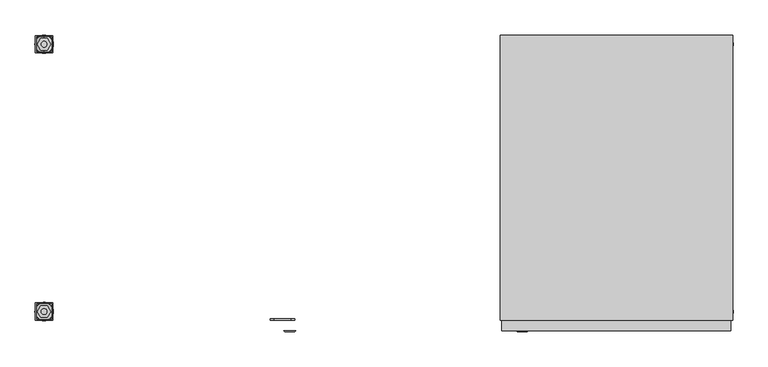
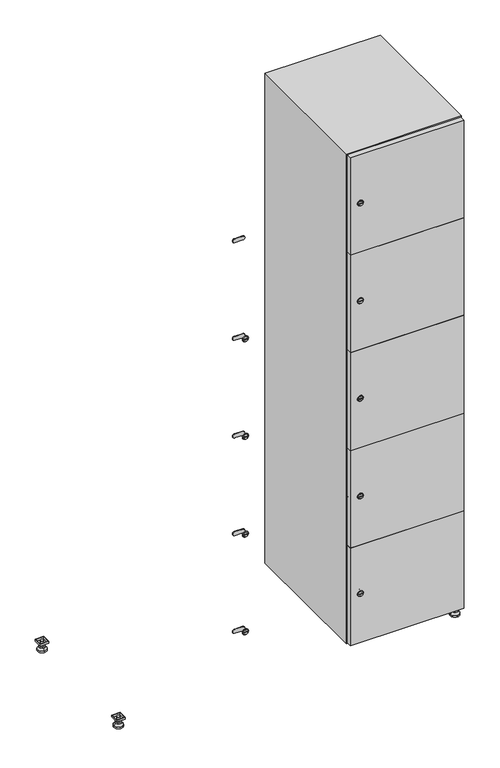
"""IFC4 building model written with IfcOpenShell, lengths in millimetres: furniture geometry."""

from ifc_helpers import new_model, si_unit, point, frame, frame_2d, origin, origin_with_axes, place, context, project, spatial, polyline, circle_curve, trimmed, segment, composite_curve, outline, extrude, faceted_brep, source, transform, mapped, element, save
from ifc_brep_helpers import plane_surface, revolved_surface, advanced_brep


def furniture_5095807b(model_context):
    return source(origin(), model_context, "Body", "SolidModel", [
        extrude(outline(polyline([(1000.0, 245.0), (1000.0, 215.0), (970.0, 215.0), (970.0, 245.0), (1000.0, 245.0)]), holes=[polyline([(998.0, 243.0), (972.0, 243.0), (972.0, 217.0), (998.0, 217.0), (998.0, 243.0)])]), frame((0.0, 0.0, 28.5), z_axis=(0.0, 0.0, 1.0), x_axis=(1.0, 0.0, 0.0)), (0.0, 0.0, 1.0), 6.5),
        extrude(outline(polyline([(970.0, -245.0), (970.0, -215.0), (1000.0, -215.0), (1000.0, -245.0), (970.0, -245.0)]), holes=[polyline([(972.0, -243.0), (998.0, -243.0), (998.0, -217.0), (972.0, -217.0), (972.0, -243.0)])]), frame((0.0, 0.0, 28.5), z_axis=(0.0, 0.0, 1.0), x_axis=(1.0, 0.0, 0.0)), (0.0, 0.0, 1.0), 6.5),
        extrude(outline(polyline([(-170.0, 245.0), (-170.0, 215.0), (-200.0, 215.0), (-200.0, 245.0), (-170.0, 245.0)]), holes=[polyline([(-172.0, 243.0), (-198.0, 243.0), (-198.0, 217.0), (-172.0, 217.0), (-172.0, 243.0)])]), frame((0.0, 0.0, 28.5), z_axis=(0.0, 0.0, 1.0), x_axis=(1.0, 0.0, 0.0)), (0.0, 0.0, 1.0), 6.5),
        extrude(outline(polyline([(-170.0, -215.0), (-170.0, -245.0), (-200.0, -245.0), (-200.0, -215.0), (-170.0, -215.0)]), holes=[polyline([(-198.0, -243.0), (-172.0, -243.0), (-172.0, -217.0), (-198.0, -217.0), (-198.0, -243.0)])]), frame((0.0, 0.0, 28.5), z_axis=(0.0, 0.0, 1.0), x_axis=(1.0, 0.0, 0.0)), (0.0, 0.0, 1.0), 6.5),
        extrude(outline(composite_curve([segment(trimmed(circle_curve(frame_2d((-185.0, 230.0)), 5.0), [point((-180.0, 230.0))], [point((-190.0, 230.0))], False, "CARTESIAN"), True, "CONTINUOUS"), segment(trimmed(circle_curve(frame_2d((-185.0, 230.0)), 5.0), [point((-190.0, 230.0))], [point((-180.0, 230.0))], False, "CARTESIAN"), True, "CONTINUOUS")], self_intersect=False)), frame((0.0, 0.0, 19.6), z_axis=(0.0, 0.0, 1.0), x_axis=(1.0, 0.0, 0.0)), (0.0, 0.0, 1.0), 15.4),
        extrude(outline(composite_curve([segment(trimmed(circle_curve(frame_2d((-185.0, -230.0)), 5.0), [point((-180.0, -230.0))], [point((-190.0, -230.0))], False, "CARTESIAN"), True, "CONTINUOUS"), segment(trimmed(circle_curve(frame_2d((-185.0, -230.0)), 5.0), [point((-190.0, -230.0))], [point((-180.0, -230.0))], False, "CARTESIAN"), True, "CONTINUOUS")], self_intersect=False)), frame((0.0, 0.0, 19.6), z_axis=(0.0, 0.0, 1.0), x_axis=(1.0, 0.0, 0.0)), (0.0, 0.0, 1.0), 15.4),
        extrude(outline(composite_curve([segment(trimmed(circle_curve(frame_2d((985.0, 230.0)), 5.0), [point((990.0, 230.0))], [point((980.0, 230.0))], False, "CARTESIAN"), True, "CONTINUOUS"), segment(trimmed(circle_curve(frame_2d((985.0, 230.0)), 5.0), [point((980.0, 230.0))], [point((990.0, 230.0))], False, "CARTESIAN"), True, "CONTINUOUS")], self_intersect=False)), frame((0.0, 0.0, 19.6), z_axis=(0.0, 0.0, 1.0), x_axis=(1.0, 0.0, 0.0)), (0.0, 0.0, 1.0), 15.4),
        extrude(outline(polyline([(973.4529946, 230.0), (979.2264973, 240.0), (990.7735027, 240.0), (996.5470054, 230.0), (990.7735027, 220.0), (979.2264973, 220.0), (973.4529946, 230.0)])), frame((0.0, 0.0, 13.6), z_axis=(0.0, 0.0, 1.0), x_axis=(1.0, 0.0, 0.0)), (0.0, 0.0, 1.0), 6.0),
        extrude(outline(composite_curve([segment(trimmed(circle_curve(frame_2d((985.0, -230.0)), 5.0), [point((990.0, -230.0))], [point((980.0, -230.0))], False, "CARTESIAN"), True, "CONTINUOUS"), segment(trimmed(circle_curve(frame_2d((985.0, -230.0)), 5.0), [point((980.0, -230.0))], [point((990.0, -230.0))], False, "CARTESIAN"), True, "CONTINUOUS")], self_intersect=False)), frame((0.0, 0.0, 19.6), z_axis=(0.0, 0.0, 1.0), x_axis=(1.0, 0.0, 0.0)), (0.0, 0.0, 1.0), 15.4),
        extrude(outline(polyline([(973.4529946, -230.0), (979.2264973, -220.0), (990.7735027, -220.0), (996.5470054, -230.0), (990.7735027, -240.0), (979.2264973, -240.0), (973.4529946, -230.0)])), frame((0.0, 0.0, 13.6), z_axis=(0.0, 0.0, 1.0), x_axis=(1.0, 0.0, 0.0)), (0.0, 0.0, 1.0), 6.0),
        extrude(outline(composite_curve([segment(trimmed(circle_curve(frame_2d((985.0, 230.0)), 5.0), [point((990.0, 230.0))], [point((980.0, 230.0))], False, "CARTESIAN"), True, "CONTINUOUS"), segment(trimmed(circle_curve(frame_2d((985.0, 230.0)), 5.0), [point((980.0, 230.0))], [point((990.0, 230.0))], False, "CARTESIAN"), True, "CONTINUOUS")], self_intersect=False)), frame((0.0, 0.0, 12.1), z_axis=(0.0, 0.0, 1.0), x_axis=(1.0, 0.0, 0.0)), (0.0, 0.0, 1.0), 1.5),
        extrude(outline(composite_curve([segment(trimmed(circle_curve(frame_2d((985.0, -230.0)), 5.0), [point((990.0, -230.0))], [point((980.0, -230.0))], False, "CARTESIAN"), True, "CONTINUOUS"), segment(trimmed(circle_curve(frame_2d((985.0, -230.0)), 5.0), [point((980.0, -230.0))], [point((990.0, -230.0))], False, "CARTESIAN"), True, "CONTINUOUS")], self_intersect=False)), frame((0.0, 0.0, 12.1), z_axis=(0.0, 0.0, 1.0), x_axis=(1.0, 0.0, 0.0)), (0.0, 0.0, 1.0), 1.5),
        extrude(outline(polyline([(-196.5470054, 230.0), (-190.7735027, 240.0), (-179.2264973, 240.0), (-173.4529946, 230.0), (-179.2264973, 220.0), (-190.7735027, 220.0), (-196.5470054, 230.0)])), frame((0.0, 0.0, 13.6), z_axis=(0.0, 0.0, 1.0), x_axis=(1.0, 0.0, 0.0)), (0.0, 0.0, 1.0), 6.0),
        extrude(outline(polyline([(-196.5470054, -230.0), (-190.7735027, -220.0), (-179.2264973, -220.0), (-173.4529946, -230.0), (-179.2264973, -240.0), (-190.7735027, -240.0), (-196.5470054, -230.0)])), frame((0.0, 0.0, 13.6), z_axis=(0.0, 0.0, 1.0), x_axis=(1.0, 0.0, 0.0)), (0.0, 0.0, 1.0), 6.0),
        extrude(outline(composite_curve([segment(trimmed(circle_curve(frame_2d((-185.0, 230.0)), 5.0), [point((-185.0, 235.0))], [point((-185.0, 225.0))], False, "CARTESIAN"), True, "CONTINUOUS"), segment(trimmed(circle_curve(frame_2d((-185.0, 230.0)), 5.0), [point((-185.0, 225.0))], [point((-185.0, 235.0))], False, "CARTESIAN"), True, "CONTINUOUS")], self_intersect=False)), frame((0.0, 0.0, 12.1), z_axis=(0.0, 0.0, 1.0), x_axis=(1.0, 0.0, 0.0)), (0.0, 0.0, 1.0), 1.5),
        extrude(outline(composite_curve([segment(trimmed(circle_curve(frame_2d((-185.0, -230.0)), 5.0), [point((-180.0, -230.0))], [point((-190.0, -230.0))], False, "CARTESIAN"), True, "CONTINUOUS"), segment(trimmed(circle_curve(frame_2d((-185.0, -230.0)), 5.0), [point((-190.0, -230.0))], [point((-180.0, -230.0))], False, "CARTESIAN"), True, "CONTINUOUS")], self_intersect=False)), frame((0.0, 0.0, 12.1), z_axis=(0.0, 0.0, 1.0), x_axis=(1.0, 0.0, 0.0)), (0.0, 0.0, 1.0), 1.5),
        extrude(outline(composite_curve([segment(trimmed(circle_curve(frame_2d((985.0, 230.0)), 15.75), [point((1000.75, 230.0))], [point((969.25, 230.0))], False, "CARTESIAN"), True, "CONTINUOUS"), segment(trimmed(circle_curve(frame_2d((985.0, 230.0)), 15.75), [point((969.25, 230.0))], [point((1000.75, 230.0))], False, "CARTESIAN"), True, "CONTINUOUS")], self_intersect=False)), origin_with_axes(), (0.0, 0.0, 1.0), 5.1),
        extrude(outline(composite_curve([segment(trimmed(circle_curve(frame_2d((985.0, -230.0)), 15.75), [point((985.0, -214.25))], [point((985.0, -245.75))], False, "CARTESIAN"), True, "CONTINUOUS"), segment(trimmed(circle_curve(frame_2d((985.0, -230.0)), 15.75), [point((985.0, -245.75))], [point((985.0, -214.25))], False, "CARTESIAN"), True, "CONTINUOUS")], self_intersect=False)), origin_with_axes(), (0.0, 0.0, 1.0), 5.1),
        extrude(outline(composite_curve([segment(trimmed(circle_curve(frame_2d((-185.0, -230.0)), 15.75), [point((-169.25, -230.0))], [point((-200.75, -230.0))], False, "CARTESIAN"), True, "CONTINUOUS"), segment(trimmed(circle_curve(frame_2d((-185.0, -230.0)), 15.75), [point((-200.75, -230.0))], [point((-169.25, -230.0))], False, "CARTESIAN"), True, "CONTINUOUS")], self_intersect=False)), origin_with_axes(), (0.0, 0.0, 1.0), 5.1),
        extrude(outline(composite_curve([segment(trimmed(circle_curve(frame_2d((-185.0, 230.0)), 15.75), [point((-169.25, 230.0))], [point((-200.75, 230.0))], False, "CARTESIAN"), True, "CONTINUOUS"), segment(trimmed(circle_curve(frame_2d((-185.0, 230.0)), 15.75), [point((-200.75, 230.0))], [point((-169.25, 230.0))], False, "CARTESIAN"), True, "CONTINUOUS")], self_intersect=False)), origin_with_axes(), (0.0, 0.0, 1.0), 5.1),
        advanced_brep(
        [(-185.0, 239.5, 12.1), (-185.0, 220.5, 12.1), (-185.0, 214.25, 5.1), (-185.0, 245.75, 5.1)],
        [
            (0, 1, circle_curve(frame((-185.0, 230.0, 12.1), z_axis=(0.0, 0.0, -1.0), x_axis=(0.0, 1.0, 0.0)), 9.5)),
            (1, 2),
            (2, 3, circle_curve(frame((-185.0, 230.0, 5.1), z_axis=(0.0, 0.0, 1.0), x_axis=(0.0, 1.0, 0.0)), 15.75)),
            (3, 0),
            (1, 0, circle_curve(frame((-185.0, 230.0, 12.1), z_axis=(0.0, 0.0, -1.0), x_axis=(0.0, -1.0, 0.0)), 9.5)),
            (3, 2, circle_curve(frame((-185.0, 230.0, 5.1), z_axis=(0.0, 0.0, 1.0), x_axis=(0.0, -1.0, 0.0)), 15.75)),
        ],
        [
            revolved_surface(polyline([(-185.0, 220.5, 12.099999999999998), (-185.0, 214.25, 5.099999999999998)]), (-185.0, 230.0, 22.74), (0.0, 0.0, -1.0)),
            revolved_surface(polyline([(-185.0, 239.5, 12.099999999999998), (-185.0, 245.75, 5.099999999999998)]), (-185.0, 230.0, 22.74), (0.0, 0.0, -1.0)),
            plane_surface(frame((-185.0, 230.0, 5.1), z_axis=(0.0, 0.0, -1.0), x_axis=(1.0, 0.0, 0.0))),
            plane_surface(frame((-185.0, 230.0, 12.1), z_axis=(0.0, 0.0, 1.0), x_axis=(1.0, 0.0, 0.0))),
        ],
        [
            (0, [[1, 2, 3, 4]]),
            (1, [[5, -4, 6, -2]]),
            (2, [[-3, -6]]),
            (3, [[-5, -1]]),
        ],
    ),
        advanced_brep(
        [(985.0, 239.5, 12.1), (985.0, 220.5, 12.1), (985.0, 214.25, 5.1), (985.0, 245.75, 5.1)],
        [
            (0, 1, circle_curve(frame((985.0, 230.0, 12.1), z_axis=(0.0, 0.0, -1.0), x_axis=(0.0, 1.0, 0.0)), 9.5)),
            (1, 2),
            (2, 3, circle_curve(frame((985.0, 230.0, 5.1), z_axis=(0.0, 0.0, 1.0), x_axis=(0.0, 1.0, 0.0)), 15.75)),
            (3, 0),
            (1, 0, circle_curve(frame((985.0, 230.0, 12.1), z_axis=(0.0, 0.0, -1.0), x_axis=(0.0, -1.0, 0.0)), 9.5)),
            (3, 2, circle_curve(frame((985.0, 230.0, 5.1), z_axis=(0.0, 0.0, 1.0), x_axis=(0.0, -1.0, 0.0)), 15.75)),
        ],
        [
            revolved_surface(polyline([(985.0, 220.5, 12.099999999999998), (985.0, 214.25, 5.099999999999998)]), (985.0, 230.0, 22.74), (0.0, 0.0, -1.0)),
            revolved_surface(polyline([(985.0, 239.5, 12.099999999999998), (985.0, 245.75, 5.099999999999998)]), (985.0, 230.0, 22.74), (0.0, 0.0, -1.0)),
            plane_surface(frame((985.0, 230.0, 5.1), z_axis=(0.0, 0.0, -1.0), x_axis=(1.0, 0.0, 0.0))),
            plane_surface(frame((985.0, 230.0, 12.1), z_axis=(0.0, 0.0, 1.0), x_axis=(1.0, 0.0, 0.0))),
        ],
        [
            (0, [[1, 2, 3, 4]]),
            (1, [[5, -4, 6, -2]]),
            (2, [[-3, -6]]),
            (3, [[-5, -1]]),
        ],
    ),
        advanced_brep(
        [(1000.75, -230.0, 5.1), (969.25, -230.0, 5.1), (975.5, -230.0, 12.1), (994.5, -230.0, 12.1)],
        [
            (0, 1, circle_curve(frame((985.0, -230.0, 5.1), z_axis=(0.0, 0.0, 1.0), x_axis=(1.0, 0.0, 0.0)), 15.75)),
            (1, 2),
            (2, 3, circle_curve(frame((985.0, -230.0, 12.1), z_axis=(0.0, 0.0, -1.0), x_axis=(1.0, 0.0, 0.0)), 9.5)),
            (3, 0),
            (1, 0, circle_curve(frame((985.0, -230.0, 5.1), z_axis=(0.0, 0.0, 1.0), x_axis=(-1.0, 0.0, 0.0)), 15.75)),
            (3, 2, circle_curve(frame((985.0, -230.0, 12.1), z_axis=(0.0, 0.0, -1.0), x_axis=(-1.0, 0.0, 0.0)), 9.5)),
        ],
        [
            revolved_surface(polyline([(994.5, -230.0, 12.099999999999998), (1000.75, -230.0, 5.099999999999998)]), (985.0, -230.0, 22.74), (0.0, 0.0, -1.0)),
            revolved_surface(polyline([(975.5, -230.0, 12.099999999999998), (969.25, -230.0, 5.099999999999998)]), (985.0, -230.0, 22.74), (0.0, 0.0, -1.0)),
            plane_surface(frame((985.0, -230.0, 12.1), z_axis=(0.0, 0.0, 1.0), x_axis=(0.0, 1.0, 0.0))),
            plane_surface(frame((985.0, -230.0, 5.1), z_axis=(0.0, 0.0, -1.0), x_axis=(0.0, 1.0, 0.0))),
        ],
        [
            (0, [[1, 2, 3, 4]]),
            (1, [[5, -4, 6, -2]]),
            (2, [[-3, -6]]),
            (3, [[-5, -1]]),
        ],
    ),
        advanced_brep(
        [(-169.25, -230.0, 5.1), (-200.75, -230.0, 5.1), (-194.5, -230.0, 12.1), (-175.5, -230.0, 12.1)],
        [
            (0, 1, circle_curve(frame((-185.0, -230.0, 5.1), z_axis=(0.0, 0.0, 1.0), x_axis=(1.0, 0.0, 0.0)), 15.75)),
            (1, 2),
            (2, 3, circle_curve(frame((-185.0, -230.0, 12.1), z_axis=(0.0, 0.0, -1.0), x_axis=(1.0, 0.0, 0.0)), 9.5)),
            (3, 0),
            (1, 0, circle_curve(frame((-185.0, -230.0, 5.1), z_axis=(0.0, 0.0, 1.0), x_axis=(-1.0, 0.0, 0.0)), 15.75)),
            (3, 2, circle_curve(frame((-185.0, -230.0, 12.1), z_axis=(0.0, 0.0, -1.0), x_axis=(-1.0, 0.0, 0.0)), 9.5)),
        ],
        [
            revolved_surface(polyline([(-175.5, -230.0, 12.099999999999998), (-169.25, -230.0, 5.099999999999998)]), (-185.0, -230.0, 22.74), (0.0, 0.0, -1.0)),
            revolved_surface(polyline([(-194.5, -230.0, 12.099999999999998), (-200.75, -230.0, 5.099999999999998)]), (-185.0, -230.0, 22.74), (0.0, 0.0, -1.0)),
            plane_surface(frame((-185.0, -230.0, 12.1), z_axis=(0.0, 0.0, 1.0), x_axis=(0.0, 1.0, 0.0))),
            plane_surface(frame((-185.0, -230.0, 5.1), z_axis=(0.0, 0.0, -1.0), x_axis=(0.0, 1.0, 0.0))),
        ],
        [
            (0, [[1, 2, 3, 4]]),
            (1, [[5, -4, 6, -2]]),
            (2, [[-3, -6]]),
            (3, [[-5, -1]]),
        ],
    ),
        extrude(outline(composite_curve([segment(trimmed(circle_curve(frame_2d((217.4, 611.2010534)), 7.0), [point((224.4, 611.2010534))], [point((210.4, 611.2010534))], False, "CARTESIAN"), True, "CONTINUOUS"), segment(polyline([(210.4, 611.2010534), (210.4, 639.2010534)]), True, "CONTINUOUS"), segment(trimmed(circle_curve(frame_2d((217.4, 639.2010534)), 7.0), [point((210.4, 639.2010534))], [point((224.4, 639.2010534))], False, "CARTESIAN"), True, "CONTINUOUS"), segment(polyline([(224.4, 639.2010534), (224.4, 611.2010534)]), True, "CONTINUOUS")], self_intersect=False)), frame((0.0, -245.0, 0.0), z_axis=(0.0, 1.0, 0.0), x_axis=(0.0, 0.0, 1.0)), (0.0, 0.0, 1.0), 2.0),
        advanced_brep(
        [(646.5, -265.2, 217.4), (629.5, -265.2, 217.4), (633.0, -265.2, 216.15), (633.0, -265.2, 218.65), (643.0, -265.2, 218.65), (643.0, -265.2, 216.15), (648.5, -263.0, 217.4), (627.5, -263.0, 217.4), (633.0, -263.0, 218.65), (633.0, -263.0, 216.15), (643.0, -263.0, 216.15), (643.0, -263.0, 218.65)],
        [
            (0, 1, circle_curve(frame((638.0, -265.2, 217.4), z_axis=(0.0, -1.0, 0.0), x_axis=(1.0, 0.0, 0.0)), 8.5)),
            (1, 0, circle_curve(frame((638.0, -265.2, 217.4), z_axis=(0.0, -1.0, 0.0), x_axis=(-1.0, 0.0, 0.0)), 8.5)),
            (2, 3),
            (3, 4),
            (4, 5),
            (5, 2),
            (6, 7, circle_curve(frame((638.0, -263.0, 217.4), z_axis=(0.0, 1.0, 0.0), x_axis=(-1.0, 0.0, 0.0)), 10.5)),
            (7, 6, circle_curve(frame((638.0, -263.0, 217.4), z_axis=(0.0, 1.0, 0.0), x_axis=(1.0, 0.0, 0.0)), 10.5)),
            (8, 9),
            (9, 10),
            (10, 11),
            (11, 8),
            (0, 6),
            (7, 1),
            (8, 3),
            (2, 9),
            (11, 4),
            (10, 5),
        ],
        [
            plane_surface(frame((638.0, -265.2, 217.4), z_axis=(0.0, -1.0, 0.0), x_axis=(0.0, 0.0, 1.0))),
            plane_surface(frame((638.0, -263.0, 217.4), z_axis=(0.0, 1.0, 0.0), x_axis=(0.0, 0.0, 1.0))),
            revolved_surface(polyline([(646.5, -265.2, 217.4), (648.5, -263.0, 217.4)]), (638.0, -274.55, 217.4), (0.0, 1.0, 0.0)),
            revolved_surface(polyline([(629.5, -265.2, 217.4), (627.5, -263.0, 217.4)]), (638.0, -274.55, 217.4), (0.0, 1.0, 0.0)),
            plane_surface(frame((633.0, -263.0, 216.15), z_axis=(1.0, 0.0, 0.0), x_axis=(0.0, -1.0, 0.0))),
            plane_surface(frame((633.0, -263.0, 218.65), z_axis=(0.0, 0.0, -1.0), x_axis=(0.0, -1.0, 0.0))),
            plane_surface(frame((643.0, -263.0, 218.65), z_axis=(-1.0, 0.0, 0.0), x_axis=(0.0, -1.0, 0.0))),
            plane_surface(frame((643.0, -263.0, 216.15), z_axis=(0.0, 0.0, 1.0), x_axis=(0.0, -1.0, 0.0))),
        ],
        [
            (0, [[1, 2], [3, 4, 5, 6]]),
            (1, [[7, 8], [9, 10, 11, 12]]),
            (2, [[-1, 13, -8, 14]]),
            (3, [[-2, -14, -7, -13]]),
            (4, [[15, -3, 16, -9]]),
            (5, [[-15, -12, 17, -4]]),
            (6, [[-17, -11, 18, -5]]),
            (7, [[-16, -6, -18, -10]]),
        ],
    ),
        extrude(outline(composite_curve([segment(trimmed(circle_curve(frame_2d((576.2, 611.2010534)), 7.0), [point((583.2, 611.2010534))], [point((569.2, 611.2010534))], False, "CARTESIAN"), True, "CONTINUOUS"), segment(polyline([(569.2, 611.2010534), (569.2, 639.2010534)]), True, "CONTINUOUS"), segment(trimmed(circle_curve(frame_2d((576.2, 639.2010534)), 7.0), [point((569.2, 639.2010534))], [point((583.2, 639.2010534))], False, "CARTESIAN"), True, "CONTINUOUS"), segment(polyline([(583.2, 639.2010534), (583.2, 611.2010534)]), True, "CONTINUOUS")], self_intersect=False)), frame((0.0, -245.0, 0.0), z_axis=(0.0, 1.0, 0.0), x_axis=(0.0, 0.0, 1.0)), (0.0, 0.0, 1.0), 2.0),
        advanced_brep(
        [(646.5, -265.2, 576.2), (629.5, -265.2, 576.2), (633.0, -265.2, 574.95), (633.0, -265.2, 577.45), (643.0, -265.2, 577.45), (643.0, -265.2, 574.95), (648.5, -263.0, 576.2), (627.5, -263.0, 576.2), (633.0, -263.0, 577.45), (633.0, -263.0, 574.95), (643.0, -263.0, 574.95), (643.0, -263.0, 577.45)],
        [
            (0, 1, circle_curve(frame((638.0, -265.2, 576.2), z_axis=(0.0, -1.0, 0.0), x_axis=(1.0, 0.0, 0.0)), 8.5)),
            (1, 0, circle_curve(frame((638.0, -265.2, 576.2), z_axis=(0.0, -1.0, 0.0), x_axis=(-1.0, 0.0, 0.0)), 8.5)),
            (2, 3),
            (3, 4),
            (4, 5),
            (5, 2),
            (6, 7, circle_curve(frame((638.0, -263.0, 576.2), z_axis=(0.0, 1.0, 0.0), x_axis=(-1.0, 0.0, 0.0)), 10.5)),
            (7, 6, circle_curve(frame((638.0, -263.0, 576.2), z_axis=(0.0, 1.0, 0.0), x_axis=(1.0, 0.0, 0.0)), 10.5)),
            (8, 9),
            (9, 10),
            (10, 11),
            (11, 8),
            (0, 6),
            (7, 1),
            (8, 3),
            (2, 9),
            (11, 4),
            (10, 5),
        ],
        [
            plane_surface(frame((638.0, -265.2, 576.2), z_axis=(0.0, -1.0, 0.0), x_axis=(0.0, 0.0, 1.0))),
            plane_surface(frame((638.0, -263.0, 576.2), z_axis=(0.0, 1.0, 0.0), x_axis=(0.0, 0.0, 1.0))),
            revolved_surface(polyline([(646.5, -265.2, 576.2), (648.5, -263.0, 576.2)]), (638.0, -274.55, 576.2), (0.0, 1.0, 0.0)),
            revolved_surface(polyline([(629.5, -265.2, 576.2), (627.5, -263.0, 576.2)]), (638.0, -274.55, 576.2), (0.0, 1.0, 0.0)),
            plane_surface(frame((633.0, -263.0, 574.95), z_axis=(1.0, 0.0, 0.0), x_axis=(0.0, -1.0, 0.0))),
            plane_surface(frame((633.0, -263.0, 577.45), z_axis=(0.0, 0.0, -1.0), x_axis=(0.0, -1.0, 0.0))),
            plane_surface(frame((643.0, -263.0, 577.45), z_axis=(-1.0, 0.0, 0.0), x_axis=(0.0, -1.0, 0.0))),
            plane_surface(frame((643.0, -263.0, 574.95), z_axis=(0.0, 0.0, 1.0), x_axis=(0.0, -1.0, 0.0))),
        ],
        [
            (0, [[1, 2], [3, 4, 5, 6]]),
            (1, [[7, 8], [9, 10, 11, 12]]),
            (2, [[-1, 13, -8, 14]]),
            (3, [[-2, -14, -7, -13]]),
            (4, [[15, -3, 16, -9]]),
            (5, [[-15, -12, 17, -4]]),
            (6, [[-17, -11, 18, -5]]),
            (7, [[-16, -6, -18, -10]]),
        ],
    ),
        extrude(outline(composite_curve([segment(trimmed(circle_curve(frame_2d((935.0, 611.2010534)), 7.0), [point((942.0, 611.2010534))], [point((928.0, 611.2010534))], False, "CARTESIAN"), True, "CONTINUOUS"), segment(polyline([(928.0, 611.2010534), (928.0, 639.2010534)]), True, "CONTINUOUS"), segment(trimmed(circle_curve(frame_2d((935.0, 639.2010534)), 7.0), [point((928.0, 639.2010534))], [point((942.0, 639.2010534))], False, "CARTESIAN"), True, "CONTINUOUS"), segment(polyline([(942.0, 639.2010534), (942.0, 611.2010534)]), True, "CONTINUOUS")], self_intersect=False)), frame((0.0, -245.0, 0.0), z_axis=(0.0, 1.0, 0.0), x_axis=(0.0, 0.0, 1.0)), (0.0, 0.0, 1.0), 2.0),
        advanced_brep(
        [(646.5, -265.2, 935.0), (629.5, -265.2, 935.0), (633.0, -265.2, 933.75), (633.0, -265.2, 936.25), (643.0, -265.2, 936.25), (643.0, -265.2, 933.75), (648.5, -263.0, 935.0), (627.5, -263.0, 935.0), (633.0, -263.0, 936.25), (633.0, -263.0, 933.75), (643.0, -263.0, 933.75), (643.0, -263.0, 936.25)],
        [
            (0, 1, circle_curve(frame((638.0, -265.2, 935.0), z_axis=(0.0, -1.0, 0.0), x_axis=(1.0, 0.0, 0.0)), 8.5)),
            (1, 0, circle_curve(frame((638.0, -265.2, 935.0), z_axis=(0.0, -1.0, 0.0), x_axis=(-1.0, 0.0, 0.0)), 8.5)),
            (2, 3),
            (3, 4),
            (4, 5),
            (5, 2),
            (6, 7, circle_curve(frame((638.0, -263.0, 935.0), z_axis=(0.0, 1.0, 0.0), x_axis=(-1.0, 0.0, 0.0)), 10.5)),
            (7, 6, circle_curve(frame((638.0, -263.0, 935.0), z_axis=(0.0, 1.0, 0.0), x_axis=(1.0, 0.0, 0.0)), 10.5)),
            (8, 9),
            (9, 10),
            (10, 11),
            (11, 8),
            (0, 6),
            (7, 1),
            (8, 3),
            (2, 9),
            (11, 4),
            (10, 5),
        ],
        [
            plane_surface(frame((638.0, -265.2, 935.0), z_axis=(0.0, -1.0, 0.0), x_axis=(0.0, 0.0, 1.0))),
            plane_surface(frame((638.0, -263.0, 935.0), z_axis=(0.0, 1.0, 0.0), x_axis=(0.0, 0.0, 1.0))),
            revolved_surface(polyline([(646.5, -265.2, 935.0), (648.5, -263.0, 935.0)]), (638.0, -274.55, 935.0), (0.0, 1.0, 0.0)),
            revolved_surface(polyline([(629.5, -265.2, 935.0), (627.5, -263.0, 935.0)]), (638.0, -274.55, 935.0), (0.0, 1.0, 0.0)),
            plane_surface(frame((633.0, -263.0, 933.75), z_axis=(1.0, 0.0, 0.0), x_axis=(0.0, -1.0, 0.0))),
            plane_surface(frame((633.0, -263.0, 936.25), z_axis=(0.0, 0.0, -1.0), x_axis=(0.0, -1.0, 0.0))),
            plane_surface(frame((643.0, -263.0, 936.25), z_axis=(-1.0, 0.0, 0.0), x_axis=(0.0, -1.0, 0.0))),
            plane_surface(frame((643.0, -263.0, 933.75), z_axis=(0.0, 0.0, 1.0), x_axis=(0.0, -1.0, 0.0))),
        ],
        [
            (0, [[1, 2], [3, 4, 5, 6]]),
            (1, [[7, 8], [9, 10, 11, 12]]),
            (2, [[-1, 13, -8, 14]]),
            (3, [[-2, -14, -7, -13]]),
            (4, [[15, -3, 16, -9]]),
            (5, [[-15, -12, 17, -4]]),
            (6, [[-17, -11, 18, -5]]),
            (7, [[-16, -6, -18, -10]]),
        ],
    ),
        extrude(outline(composite_curve([segment(trimmed(circle_curve(frame_2d((1293.8, 611.2010534)), 7.0), [point((1300.8, 611.2010534))], [point((1286.8, 611.2010534))], False, "CARTESIAN"), True, "CONTINUOUS"), segment(polyline([(1286.8, 611.2010534), (1286.8, 639.2010534)]), True, "CONTINUOUS"), segment(trimmed(circle_curve(frame_2d((1293.8, 639.2010534)), 7.0), [point((1286.8, 639.2010534))], [point((1300.8, 639.2010534))], False, "CARTESIAN"), True, "CONTINUOUS"), segment(polyline([(1300.8, 639.2010534), (1300.8, 611.2010534)]), True, "CONTINUOUS")], self_intersect=False)), frame((0.0, -245.0, 0.0), z_axis=(0.0, 1.0, 0.0), x_axis=(0.0, 0.0, 1.0)), (0.0, 0.0, 1.0), 2.0),
        advanced_brep(
        [(646.5, -265.2, 1293.8), (629.5, -265.2, 1293.8), (633.0, -265.2, 1292.55), (633.0, -265.2, 1295.05), (643.0, -265.2, 1295.05), (643.0, -265.2, 1292.55), (648.5, -263.0, 1293.8), (627.5, -263.0, 1293.8), (633.0, -263.0, 1295.05), (633.0, -263.0, 1292.55), (643.0, -263.0, 1292.55), (643.0, -263.0, 1295.05)],
        [
            (0, 1, circle_curve(frame((638.0, -265.2, 1293.8), z_axis=(0.0, -1.0, 0.0), x_axis=(1.0, 0.0, 0.0)), 8.5)),
            (1, 0, circle_curve(frame((638.0, -265.2, 1293.8), z_axis=(0.0, -1.0, 0.0), x_axis=(-1.0, 0.0, 0.0)), 8.5)),
            (2, 3),
            (3, 4),
            (4, 5),
            (5, 2),
            (6, 7, circle_curve(frame((638.0, -263.0, 1293.8), z_axis=(0.0, 1.0, 0.0), x_axis=(-1.0, 0.0, 0.0)), 10.5)),
            (7, 6, circle_curve(frame((638.0, -263.0, 1293.8), z_axis=(0.0, 1.0, 0.0), x_axis=(1.0, 0.0, 0.0)), 10.5)),
            (8, 9),
            (9, 10),
            (10, 11),
            (11, 8),
            (0, 6),
            (7, 1),
            (8, 3),
            (2, 9),
            (11, 4),
            (10, 5),
        ],
        [
            plane_surface(frame((638.0, -265.2, 1293.8), z_axis=(0.0, -1.0, 0.0), x_axis=(0.0, 0.0, 1.0))),
            plane_surface(frame((638.0, -263.0, 1293.8), z_axis=(0.0, 1.0, 0.0), x_axis=(0.0, 0.0, 1.0))),
            revolved_surface(polyline([(646.5, -265.2, 1293.8), (648.5, -263.0, 1293.8)]), (638.0, -274.55, 1293.8), (0.0, 1.0, 0.0)),
            revolved_surface(polyline([(629.5, -265.2, 1293.8), (627.5, -263.0, 1293.8)]), (638.0, -274.55, 1293.8), (0.0, 1.0, 0.0)),
            plane_surface(frame((633.0, -263.0, 1292.55), z_axis=(1.0, 0.0, 0.0), x_axis=(0.0, -1.0, 0.0))),
            plane_surface(frame((633.0, -263.0, 1295.05), z_axis=(0.0, 0.0, -1.0), x_axis=(0.0, -1.0, 0.0))),
            plane_surface(frame((643.0, -263.0, 1295.05), z_axis=(-1.0, 0.0, 0.0), x_axis=(0.0, -1.0, 0.0))),
            plane_surface(frame((643.0, -263.0, 1292.55), z_axis=(0.0, 0.0, 1.0), x_axis=(0.0, -1.0, 0.0))),
        ],
        [
            (0, [[1, 2], [3, 4, 5, 6]]),
            (1, [[7, 8], [9, 10, 11, 12]]),
            (2, [[-1, 13, -8, 14]]),
            (3, [[-2, -14, -7, -13]]),
            (4, [[15, -3, 16, -9]]),
            (5, [[-15, -12, 17, -4]]),
            (6, [[-17, -11, 18, -5]]),
            (7, [[-16, -6, -18, -10]]),
        ],
    ),
        extrude(outline(composite_curve([segment(trimmed(circle_curve(frame_2d((1652.6, 611.2010534)), 7.0), [point((1659.6, 611.2010534))], [point((1645.6, 611.2010534))], False, "CARTESIAN"), True, "CONTINUOUS"), segment(polyline([(1645.6, 611.2010534), (1645.6, 639.2010534)]), True, "CONTINUOUS"), segment(trimmed(circle_curve(frame_2d((1652.6, 639.2010534)), 7.0), [point((1645.6, 639.2010534))], [point((1659.6, 639.2010534))], False, "CARTESIAN"), True, "CONTINUOUS"), segment(polyline([(1659.6, 639.2010534), (1659.6, 611.2010534)]), True, "CONTINUOUS")], self_intersect=False)), frame((0.0, -245.0, 0.0), z_axis=(0.0, 1.0, 0.0), x_axis=(0.0, 0.0, 1.0)), (0.0, 0.0, 1.0), 2.0),
        advanced_brep(
        [(646.5, -265.2, 1652.6), (629.5, -265.2, 1652.6), (633.0, -265.2, 1651.35), (633.0, -265.2, 1653.85), (643.0, -265.2, 1653.85), (643.0, -265.2, 1651.35), (648.5, -263.0, 1652.6), (627.5, -263.0, 1652.6), (633.0, -263.0, 1653.85), (633.0, -263.0, 1651.35), (643.0, -263.0, 1651.35), (643.0, -263.0, 1653.85)],
        [
            (0, 1, circle_curve(frame((638.0, -265.2, 1652.6), z_axis=(0.0, -1.0, 0.0), x_axis=(1.0, 0.0, 0.0)), 8.5)),
            (1, 0, circle_curve(frame((638.0, -265.2, 1652.6), z_axis=(0.0, -1.0, 0.0), x_axis=(-1.0, 0.0, 0.0)), 8.5)),
            (2, 3),
            (3, 4),
            (4, 5),
            (5, 2),
            (6, 7, circle_curve(frame((638.0, -263.0, 1652.6), z_axis=(0.0, 1.0, 0.0), x_axis=(-1.0, 0.0, 0.0)), 10.5)),
            (7, 6, circle_curve(frame((638.0, -263.0, 1652.6), z_axis=(0.0, 1.0, 0.0), x_axis=(1.0, 0.0, 0.0)), 10.5)),
            (8, 9),
            (9, 10),
            (10, 11),
            (11, 8),
            (0, 6),
            (7, 1),
            (8, 3),
            (2, 9),
            (11, 4),
            (10, 5),
        ],
        [
            plane_surface(frame((638.0, -265.2, 1652.6), z_axis=(0.0, -1.0, 0.0), x_axis=(0.0, 0.0, 1.0))),
            plane_surface(frame((638.0, -263.0, 1652.6), z_axis=(0.0, 1.0, 0.0), x_axis=(0.0, 0.0, 1.0))),
            revolved_surface(polyline([(646.5, -265.2, 1652.6), (648.5, -263.0, 1652.6)]), (638.0, -274.55, 1652.6), (0.0, 1.0, 0.0)),
            revolved_surface(polyline([(629.5, -265.2, 1652.6), (627.5, -263.0, 1652.6)]), (638.0, -274.55, 1652.6), (0.0, 1.0, 0.0)),
            plane_surface(frame((633.0, -263.0, 1651.35), z_axis=(1.0, 0.0, 0.0), x_axis=(0.0, -1.0, 0.0))),
            plane_surface(frame((633.0, -263.0, 1653.85), z_axis=(0.0, 0.0, -1.0), x_axis=(0.0, -1.0, 0.0))),
            plane_surface(frame((643.0, -263.0, 1653.85), z_axis=(-1.0, 0.0, 0.0), x_axis=(0.0, -1.0, 0.0))),
            plane_surface(frame((643.0, -263.0, 1651.35), z_axis=(0.0, 0.0, 1.0), x_axis=(0.0, -1.0, 0.0))),
        ],
        [
            (0, [[1, 2], [3, 4, 5, 6]]),
            (1, [[7, 8], [9, 10, 11, 12]]),
            (2, [[-1, 13, -8, 14]]),
            (3, [[-2, -14, -7, -13]]),
            (4, [[15, -3, 16, -9]]),
            (5, [[-15, -12, 17, -4]]),
            (6, [[-17, -11, 18, -5]]),
            (7, [[-16, -6, -18, -10]]),
        ],
    ),
        extrude(outline(polyline([(997.0, -245.0), (997.0, -263.0), (603.0, -263.0), (603.0, -245.0), (997.0, -245.0)])), frame((0.0, 0.0, 755.1), z_axis=(0.0, 0.0, 1.0), x_axis=(1.0, 0.0, 0.0)), (0.0, 0.0, 1.0), 359.8),
        extrude(outline(polyline([(997.0, -245.0), (997.0, -263.0), (603.0, -263.0), (603.0, -245.0), (997.0, -245.0)])), frame((0.0, 0.0, 396.3), z_axis=(0.0, 0.0, 1.0), x_axis=(1.0, 0.0, 0.0)), (0.0, 0.0, 1.0), 359.8),
        extrude(outline(polyline([(997.0, -245.0), (997.0, -263.0), (603.0, -263.0), (603.0, -245.0), (997.0, -245.0)])), frame((0.0, 0.0, 1113.9), z_axis=(0.0, 0.0, 1.0), x_axis=(1.0, 0.0, 0.0)), (0.0, 0.0, 1.0), 358.8),
        extrude(outline(polyline([(603.0, -263.0), (603.0, -245.0), (997.0, -245.0), (997.0, -263.0), (603.0, -263.0)])), frame((0.0, 0.0, 1473.7), z_axis=(0.0, 0.0, 1.0), x_axis=(1.0, 0.0, 0.0)), (0.0, 0.0, 1.0), 358.3),
        extrude(outline(polyline([(997.0, -245.0), (997.0, -263.0), (603.0, -263.0), (603.0, -245.0), (997.0, -245.0)])), frame((0.0, 0.0, 38.0), z_axis=(0.0, 0.0, 1.0), x_axis=(1.0, 0.0, 0.0)), (0.0, 0.0, 1.0), 359.3),
        extrude(outline(polyline([(979.6, 242.0), (979.6, -227.0), (620.4, -227.0), (620.4, 242.0), (979.6, 242.0)])), frame((0.0, 0.0, 1446.68), z_axis=(0.0, 0.0, 1.0), x_axis=(1.0, 0.0, 0.0)), (0.0, 0.0, 1.0), 20.4),
        extrude(outline(polyline([(979.6, 242.0), (979.6, -227.0), (620.4, -227.0), (620.4, 242.0), (979.6, 242.0)])), frame((0.0, 0.0, 1098.76), z_axis=(0.0, 0.0, 1.0), x_axis=(1.0, 0.0, 0.0)), (0.0, 0.0, 1.0), 20.4),
        extrude(outline(polyline([(979.6, 242.0), (979.6, -227.0), (620.4, -227.0), (620.4, 242.0), (979.6, 242.0)])), frame((0.0, 0.0, 750.84), z_axis=(0.0, 0.0, 1.0), x_axis=(1.0, 0.0, 0.0)), (0.0, 0.0, 1.0), 20.4),
        extrude(outline(polyline([(620.4, 242.0), (979.6, 242.0), (979.6, -227.0), (620.4, -227.0), (620.4, 242.0)])), frame((0.0, 0.0, 402.92), z_axis=(0.0, 0.0, 1.0), x_axis=(1.0, 0.0, 0.0)), (0.0, 0.0, 1.0), 20.4),
        faceted_brep([(1000.0, -245.0, 35.0), (1000.0, -245.0, 1835.0), (600.0, -245.0, 1835.0), (600.0, -245.0, 35.0), (979.6, -245.0, 1804.8), (979.6, -245.0, 65.2), (620.4, -245.0, 65.2), (620.4, -245.0, 1804.8), (1000.0, 245.0, 35.0), (600.0, 245.0, 35.0), (1000.0, 245.0, 1835.0), (600.0, 245.0, 1835.0), (979.6, 242.0, 1804.8), (979.6, 242.0, 65.2), (600.0, 245.0, 1804.8), (620.4, 242.0, 1804.8), (620.4, 242.0, 65.2)], [[[0, 1, 2, 3], [4, 5, 6, 7]], [[8, 0, 3, 9]], [[1, 0, 8, 10]], [[1, 10, 11, 2]], [[4, 12, 13, 5]], [[9, 3, 2, 11, 14]], [[10, 8, 9, 14, 11]], [[12, 15, 16, 13]], [[15, 7, 6, 16]], [[4, 7, 15, 12]], [[6, 5, 13, 16]]]),
        extrude(outline(composite_curve([segment(trimmed(circle_curve(frame_2d((217.4, 211.2010534)), 7.0), [point((224.4, 211.2010534))], [point((210.4, 211.2010534))], False, "CARTESIAN"), True, "CONTINUOUS"), segment(polyline([(210.4, 211.2010534), (210.4, 239.2010534)]), True, "CONTINUOUS"), segment(trimmed(circle_curve(frame_2d((217.4, 239.2010534)), 7.0), [point((210.4, 239.2010534))], [point((224.4, 239.2010534))], False, "CARTESIAN"), True, "CONTINUOUS"), segment(polyline([(224.4, 239.2010534), (224.4, 211.2010534)]), True, "CONTINUOUS")], self_intersect=False)), frame((0.0, -245.0, 0.0), z_axis=(0.0, 1.0, 0.0), x_axis=(0.0, 0.0, 1.0)), (0.0, 0.0, 1.0), 2.0),
        advanced_brep(
        [(246.5, -265.2, 217.4), (229.5, -265.2, 217.4), (233.0, -265.2, 216.15), (233.0, -265.2, 218.65), (243.0, -265.2, 218.65), (243.0, -265.2, 216.15), (248.5, -263.0, 217.4), (227.5, -263.0, 217.4), (233.0, -263.0, 218.65), (233.0, -263.0, 216.15), (243.0, -263.0, 216.15), (243.0, -263.0, 218.65)],
        [
            (0, 1, circle_curve(frame((238.0, -265.2, 217.4), z_axis=(0.0, -1.0, 0.0), x_axis=(1.0, 0.0, 0.0)), 8.5)),
            (1, 0, circle_curve(frame((238.0, -265.2, 217.4), z_axis=(0.0, -1.0, 0.0), x_axis=(-1.0, 0.0, 0.0)), 8.5)),
            (2, 3),
            (3, 4),
            (4, 5),
            (5, 2),
            (6, 7, circle_curve(frame((238.0, -263.0, 217.4), z_axis=(0.0, 1.0, 0.0), x_axis=(-1.0, 0.0, 0.0)), 10.5)),
            (7, 6, circle_curve(frame((238.0, -263.0, 217.4), z_axis=(0.0, 1.0, 0.0), x_axis=(1.0, 0.0, 0.0)), 10.5)),
            (8, 9),
            (9, 10),
            (10, 11),
            (11, 8),
            (0, 6),
            (7, 1),
            (8, 3),
            (2, 9),
            (11, 4),
            (10, 5),
        ],
        [
            plane_surface(frame((238.0, -265.2, 217.4), z_axis=(0.0, -1.0, 0.0), x_axis=(0.0, 0.0, 1.0))),
            plane_surface(frame((238.0, -263.0, 217.4), z_axis=(0.0, 1.0, 0.0), x_axis=(0.0, 0.0, 1.0))),
            revolved_surface(polyline([(246.5, -265.2, 217.4), (248.5, -263.0, 217.4)]), (238.0, -274.55, 217.4), (0.0, 1.0, 0.0)),
            revolved_surface(polyline([(229.5, -265.2, 217.4), (227.5, -263.0, 217.4)]), (238.0, -274.55, 217.4), (0.0, 1.0, 0.0)),
            plane_surface(frame((233.0, -263.0, 216.15), z_axis=(1.0, 0.0, 0.0), x_axis=(0.0, -1.0, 0.0))),
            plane_surface(frame((233.0, -263.0, 218.65), z_axis=(0.0, 0.0, -1.0), x_axis=(0.0, -1.0, 0.0))),
            plane_surface(frame((243.0, -263.0, 218.65), z_axis=(-1.0, 0.0, 0.0), x_axis=(0.0, -1.0, 0.0))),
            plane_surface(frame((243.0, -263.0, 216.15), z_axis=(0.0, 0.0, 1.0), x_axis=(0.0, -1.0, 0.0))),
        ],
        [
            (0, [[1, 2], [3, 4, 5, 6]]),
            (1, [[7, 8], [9, 10, 11, 12]]),
            (2, [[-1, 13, -8, 14]]),
            (3, [[-2, -14, -7, -13]]),
            (4, [[15, -3, 16, -9]]),
            (5, [[-15, -12, 17, -4]]),
            (6, [[-17, -11, 18, -5]]),
            (7, [[-16, -6, -18, -10]]),
        ],
    ),
        extrude(outline(composite_curve([segment(trimmed(circle_curve(frame_2d((576.2, 211.2010534)), 7.0), [point((583.2, 211.2010534))], [point((569.2, 211.2010534))], False, "CARTESIAN"), True, "CONTINUOUS"), segment(polyline([(569.2, 211.2010534), (569.2, 239.2010534)]), True, "CONTINUOUS"), segment(trimmed(circle_curve(frame_2d((576.2, 239.2010534)), 7.0), [point((569.2, 239.2010534))], [point((583.2, 239.2010534))], False, "CARTESIAN"), True, "CONTINUOUS"), segment(polyline([(583.2, 239.2010534), (583.2, 211.2010534)]), True, "CONTINUOUS")], self_intersect=False)), frame((0.0, -245.0, 0.0), z_axis=(0.0, 1.0, 0.0), x_axis=(0.0, 0.0, 1.0)), (0.0, 0.0, 1.0), 2.0),
        advanced_brep(
        [(246.5, -265.2, 576.2), (229.5, -265.2, 576.2), (233.0, -265.2, 574.95), (233.0, -265.2, 577.45), (243.0, -265.2, 577.45), (243.0, -265.2, 574.95), (248.5, -263.0, 576.2), (227.5, -263.0, 576.2), (233.0, -263.0, 577.45), (233.0, -263.0, 574.95), (243.0, -263.0, 574.95), (243.0, -263.0, 577.45)],
        [
            (0, 1, circle_curve(frame((238.0, -265.2, 576.2), z_axis=(0.0, -1.0, 0.0), x_axis=(1.0, 0.0, 0.0)), 8.5)),
            (1, 0, circle_curve(frame((238.0, -265.2, 576.2), z_axis=(0.0, -1.0, 0.0), x_axis=(-1.0, 0.0, 0.0)), 8.5)),
            (2, 3),
            (3, 4),
            (4, 5),
            (5, 2),
            (6, 7, circle_curve(frame((238.0, -263.0, 576.2), z_axis=(0.0, 1.0, 0.0), x_axis=(-1.0, 0.0, 0.0)), 10.5)),
            (7, 6, circle_curve(frame((238.0, -263.0, 576.2), z_axis=(0.0, 1.0, 0.0), x_axis=(1.0, 0.0, 0.0)), 10.5)),
            (8, 9),
            (9, 10),
            (10, 11),
            (11, 8),
            (0, 6),
            (7, 1),
            (8, 3),
            (2, 9),
            (11, 4),
            (10, 5),
        ],
        [
            plane_surface(frame((238.0, -265.2, 576.2), z_axis=(0.0, -1.0, 0.0), x_axis=(0.0, 0.0, 1.0))),
            plane_surface(frame((238.0, -263.0, 576.2), z_axis=(0.0, 1.0, 0.0), x_axis=(0.0, 0.0, 1.0))),
            revolved_surface(polyline([(246.5, -265.2, 576.2), (248.5, -263.0, 576.2)]), (238.0, -274.55, 576.2), (0.0, 1.0, 0.0)),
            revolved_surface(polyline([(229.5, -265.2, 576.2), (227.5, -263.0, 576.2)]), (238.0, -274.55, 576.2), (0.0, 1.0, 0.0)),
            plane_surface(frame((233.0, -263.0, 574.95), z_axis=(1.0, 0.0, 0.0), x_axis=(0.0, -1.0, 0.0))),
            plane_surface(frame((233.0, -263.0, 577.45), z_axis=(0.0, 0.0, -1.0), x_axis=(0.0, -1.0, 0.0))),
            plane_surface(frame((243.0, -263.0, 577.45), z_axis=(-1.0, 0.0, 0.0), x_axis=(0.0, -1.0, 0.0))),
            plane_surface(frame((243.0, -263.0, 574.95), z_axis=(0.0, 0.0, 1.0), x_axis=(0.0, -1.0, 0.0))),
        ],
        [
            (0, [[1, 2], [3, 4, 5, 6]]),
            (1, [[7, 8], [9, 10, 11, 12]]),
            (2, [[-1, 13, -8, 14]]),
            (3, [[-2, -14, -7, -13]]),
            (4, [[15, -3, 16, -9]]),
            (5, [[-15, -12, 17, -4]]),
            (6, [[-17, -11, 18, -5]]),
            (7, [[-16, -6, -18, -10]]),
        ],
    ),
        extrude(outline(composite_curve([segment(trimmed(circle_curve(frame_2d((935.0, 211.2010534)), 7.0), [point((942.0, 211.2010534))], [point((928.0, 211.2010534))], False, "CARTESIAN"), True, "CONTINUOUS"), segment(polyline([(928.0, 211.2010534), (928.0, 239.2010534)]), True, "CONTINUOUS"), segment(trimmed(circle_curve(frame_2d((935.0, 239.2010534)), 7.0), [point((928.0, 239.2010534))], [point((942.0, 239.2010534))], False, "CARTESIAN"), True, "CONTINUOUS"), segment(polyline([(942.0, 239.2010534), (942.0, 211.2010534)]), True, "CONTINUOUS")], self_intersect=False)), frame((0.0, -245.0, 0.0), z_axis=(0.0, 1.0, 0.0), x_axis=(0.0, 0.0, 1.0)), (0.0, 0.0, 1.0), 2.0),
        advanced_brep(
        [(246.5, -265.2, 935.0), (229.5, -265.2, 935.0), (233.0, -265.2, 933.75), (233.0, -265.2, 936.25), (243.0, -265.2, 936.25), (243.0, -265.2, 933.75), (248.5, -263.0, 935.0), (227.5, -263.0, 935.0), (233.0, -263.0, 936.25), (233.0, -263.0, 933.75), (243.0, -263.0, 933.75), (243.0, -263.0, 936.25)],
        [
            (0, 1, circle_curve(frame((238.0, -265.2, 935.0), z_axis=(0.0, -1.0, 0.0), x_axis=(1.0, 0.0, 0.0)), 8.5)),
            (1, 0, circle_curve(frame((238.0, -265.2, 935.0), z_axis=(0.0, -1.0, 0.0), x_axis=(-1.0, 0.0, 0.0)), 8.5)),
            (2, 3),
            (3, 4),
            (4, 5),
            (5, 2),
            (6, 7, circle_curve(frame((238.0, -263.0, 935.0), z_axis=(0.0, 1.0, 0.0), x_axis=(-1.0, 0.0, 0.0)), 10.5)),
            (7, 6, circle_curve(frame((238.0, -263.0, 935.0), z_axis=(0.0, 1.0, 0.0), x_axis=(1.0, 0.0, 0.0)), 10.5)),
            (8, 9),
            (9, 10),
            (10, 11),
            (11, 8),
            (0, 6),
            (7, 1),
            (8, 3),
            (2, 9),
            (11, 4),
            (10, 5),
        ],
        [
            plane_surface(frame((238.0, -265.2, 935.0), z_axis=(0.0, -1.0, 0.0), x_axis=(0.0, 0.0, 1.0))),
            plane_surface(frame((238.0, -263.0, 935.0), z_axis=(0.0, 1.0, 0.0), x_axis=(0.0, 0.0, 1.0))),
            revolved_surface(polyline([(246.5, -265.2, 935.0), (248.5, -263.0, 935.0)]), (238.0, -274.55, 935.0), (0.0, 1.0, 0.0)),
            revolved_surface(polyline([(229.5, -265.2, 935.0), (227.5, -263.0, 935.0)]), (238.0, -274.55, 935.0), (0.0, 1.0, 0.0)),
            plane_surface(frame((233.0, -263.0, 933.75), z_axis=(1.0, 0.0, 0.0), x_axis=(0.0, -1.0, 0.0))),
            plane_surface(frame((233.0, -263.0, 936.25), z_axis=(0.0, 0.0, -1.0), x_axis=(0.0, -1.0, 0.0))),
            plane_surface(frame((243.0, -263.0, 936.25), z_axis=(-1.0, 0.0, 0.0), x_axis=(0.0, -1.0, 0.0))),
            plane_surface(frame((243.0, -263.0, 933.75), z_axis=(0.0, 0.0, 1.0), x_axis=(0.0, -1.0, 0.0))),
        ],
        [
            (0, [[1, 2], [3, 4, 5, 6]]),
            (1, [[7, 8], [9, 10, 11, 12]]),
            (2, [[-1, 13, -8, 14]]),
            (3, [[-2, -14, -7, -13]]),
            (4, [[15, -3, 16, -9]]),
            (5, [[-15, -12, 17, -4]]),
            (6, [[-17, -11, 18, -5]]),
            (7, [[-16, -6, -18, -10]]),
        ],
    ),
        extrude(outline(composite_curve([segment(trimmed(circle_curve(frame_2d((1293.8, 211.2010534)), 7.0), [point((1300.8, 211.2010534))], [point((1286.8, 211.2010534))], False, "CARTESIAN"), True, "CONTINUOUS"), segment(polyline([(1286.8, 211.2010534), (1286.8, 239.2010534)]), True, "CONTINUOUS"), segment(trimmed(circle_curve(frame_2d((1293.8, 239.2010534)), 7.0), [point((1286.8, 239.2010534))], [point((1300.8, 239.2010534))], False, "CARTESIAN"), True, "CONTINUOUS"), segment(polyline([(1300.8, 239.2010534), (1300.8, 211.2010534)]), True, "CONTINUOUS")], self_intersect=False)), frame((0.0, -245.0, 0.0), z_axis=(0.0, 1.0, 0.0), x_axis=(0.0, 0.0, 1.0)), (0.0, 0.0, 1.0), 2.0),
        advanced_brep(
        [(246.5, -265.2, 1293.8), (229.5, -265.2, 1293.8), (233.0, -265.2, 1292.55), (233.0, -265.2, 1295.05), (243.0, -265.2, 1295.05), (243.0, -265.2, 1292.55), (248.5, -263.0, 1293.8), (227.5, -263.0, 1293.8), (233.0, -263.0, 1295.05), (233.0, -263.0, 1292.55), (243.0, -263.0, 1292.55), (243.0, -263.0, 1295.05)],
        [
            (0, 1, circle_curve(frame((238.0, -265.2, 1293.8), z_axis=(0.0, -1.0, 0.0), x_axis=(1.0, 0.0, 0.0)), 8.5)),
            (1, 0, circle_curve(frame((238.0, -265.2, 1293.8), z_axis=(0.0, -1.0, 0.0), x_axis=(-1.0, 0.0, 0.0)), 8.5)),
            (2, 3),
            (3, 4),
            (4, 5),
            (5, 2),
            (6, 7, circle_curve(frame((238.0, -263.0, 1293.8), z_axis=(0.0, 1.0, 0.0), x_axis=(-1.0, 0.0, 0.0)), 10.5)),
            (7, 6, circle_curve(frame((238.0, -263.0, 1293.8), z_axis=(0.0, 1.0, 0.0), x_axis=(1.0, 0.0, 0.0)), 10.5)),
            (8, 9),
            (9, 10),
            (10, 11),
            (11, 8),
            (0, 6),
            (7, 1),
            (8, 3),
            (2, 9),
            (11, 4),
            (10, 5),
        ],
        [
            plane_surface(frame((238.0, -265.2, 1293.8), z_axis=(0.0, -1.0, 0.0), x_axis=(0.0, 0.0, 1.0))),
            plane_surface(frame((238.0, -263.0, 1293.8), z_axis=(0.0, 1.0, 0.0), x_axis=(0.0, 0.0, 1.0))),
            revolved_surface(polyline([(246.5, -265.2, 1293.8), (248.5, -263.0, 1293.8)]), (238.0, -274.55, 1293.8), (0.0, 1.0, 0.0)),
            revolved_surface(polyline([(229.5, -265.2, 1293.8), (227.5, -263.0, 1293.8)]), (238.0, -274.55, 1293.8), (0.0, 1.0, 0.0)),
            plane_surface(frame((233.0, -263.0, 1292.55), z_axis=(1.0, 0.0, 0.0), x_axis=(0.0, -1.0, 0.0))),
            plane_surface(frame((233.0, -263.0, 1295.05), z_axis=(0.0, 0.0, -1.0), x_axis=(0.0, -1.0, 0.0))),
            plane_surface(frame((243.0, -263.0, 1295.05), z_axis=(-1.0, 0.0, 0.0), x_axis=(0.0, -1.0, 0.0))),
            plane_surface(frame((243.0, -263.0, 1292.55), z_axis=(0.0, 0.0, 1.0), x_axis=(0.0, -1.0, 0.0))),
        ],
        [
            (0, [[1, 2], [3, 4, 5, 6]]),
            (1, [[7, 8], [9, 10, 11, 12]]),
            (2, [[-1, 13, -8, 14]]),
            (3, [[-2, -14, -7, -13]]),
            (4, [[15, -3, 16, -9]]),
            (5, [[-15, -12, 17, -4]]),
            (6, [[-17, -11, 18, -5]]),
            (7, [[-16, -6, -18, -10]]),
        ],
    ),
        extrude(outline(composite_curve([segment(trimmed(circle_curve(frame_2d((1652.6, 211.2010534)), 7.0), [point((1659.6, 211.2010534))], [point((1645.6, 211.2010534))], False, "CARTESIAN"), True, "CONTINUOUS"), segment(polyline([(1645.6, 211.2010534), (1645.6, 239.2010534)]), True, "CONTINUOUS"), segment(trimmed(circle_curve(frame_2d((1652.6, 239.2010534)), 7.0), [point((1645.6, 239.2010534))], [point((1659.6, 239.2010534))], False, "CARTESIAN"), True, "CONTINUOUS"), segment(polyline([(1659.6, 239.2010534), (1659.6, 211.2010534)]), True, "CONTINUOUS")], self_intersect=False)), frame((0.0, -245.0, 0.0), z_axis=(0.0, 1.0, 0.0), x_axis=(0.0, 0.0, 1.0)), (0.0, 0.0, 1.0), 2.0),
    ])


if __name__ == "__main__":
    model = new_model("IFC4")
    model_context = context("Model", 3, world=origin())
    ifc_project = project(units=[si_unit("LENGTHUNIT", "METRE", prefix="MILLI")], contexts=[model_context])
    site = spatial("IfcSite", under=ifc_project)
    building = spatial("IfcBuilding", under=site)
    placement = place(None, origin())
    furniture_shape = furniture_5095807b(model_context)
    element("IfcFurniture", 1, at=placement, inside=building, context=model_context, shape_type="MappedRepresentation", body=[
        mapped(furniture_shape, transform((0.0, 0.0, 0.0), x_axis=(1.0, 0.0, 0.0), y_axis=(0.0, 1.0, 0.0), z_axis=(0.0, 0.0, 1.0))),
    ])
    save(model, "model.ifc")
